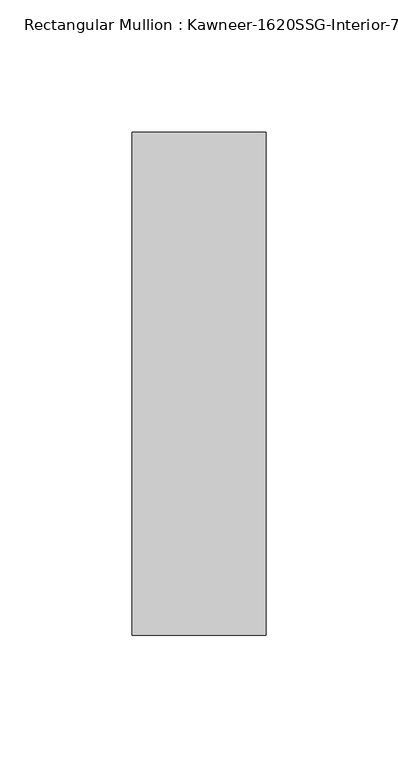
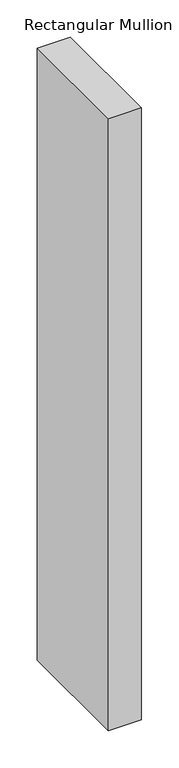
"""IFC4 building model written with IfcOpenShell, lengths in millimetres: member geometry."""

from ifc_helpers import new_model, si_unit, frame, origin, place, context, project, spatial, polyline, outline, extrude, source, transform, mapped, element, save


def member_4d1077c2(model_context):
    return source(origin(), model_context, "Body", "SweptSolid", [
        extrude(outline(polyline([(25.4, -161.925), (-25.4, -161.925), (-25.4, 28.575), (25.4, 28.575), (25.4, -161.925)])), frame((0.0, 0.0, -1000.7551893), z_axis=(0.0, 0.0, 1.0), x_axis=(1.0, 0.0, 0.0)), (0.0, 0.0, 1.0), 1000.7551893),
    ])


if __name__ == "__main__":
    model = new_model("IFC4")
    model_context = context("Model", 3, world=origin())
    ifc_project = project(units=[si_unit("LENGTHUNIT", "METRE", prefix="MILLI")], contexts=[model_context])
    site = spatial("IfcSite", under=ifc_project)
    building = spatial("IfcBuilding", under=site)
    placement = place(None, origin())
    member_shape = member_4d1077c2(model_context)
    element("IfcMember", 1, ObjectType="Rectangular Mullion : Kawneer-1620SSG-Interior-7.5\"-1/4\"Infill", at=placement, inside=building, context=model_context, shape_type="MappedRepresentation", body=[
        mapped(member_shape, transform((0.0, 0.0, 0.0), x_axis=(1.0, 0.0, 0.0), y_axis=(0.0, 1.0, 0.0), z_axis=(0.0, 0.0, 1.0))),
    ])
    save(model, "model.ifc")
